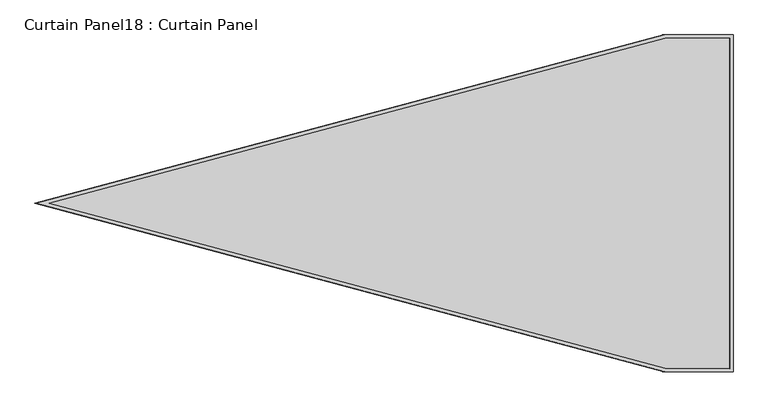
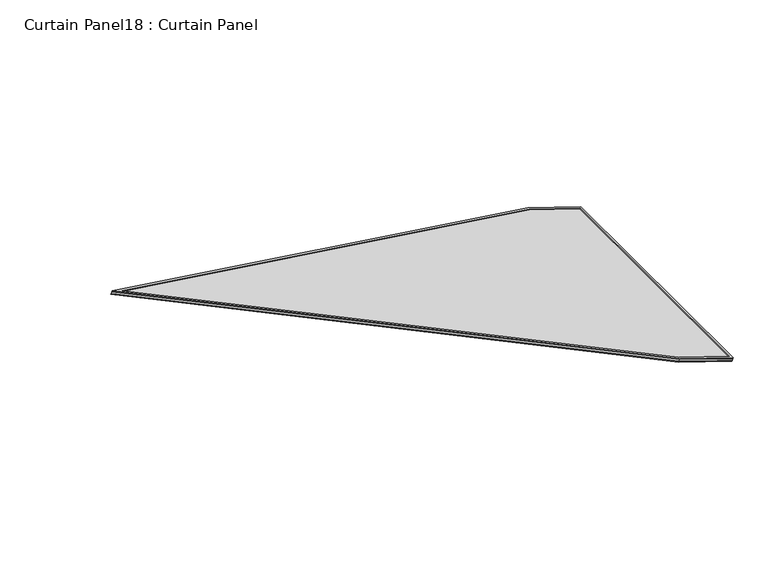
"""IFC4 building model written with IfcOpenShell, lengths in millimetres: plate geometry, Curtain Panel18 : Curtain Panel."""

from ifc_helpers import new_model, si_unit, frame, origin, place, context, project, spatial, polyline, outline, extrude, source, transform, mapped, element, save


def curtain_panel18_curtain_panel_aedf04dc(model_context):
    return source(origin(), model_context, "Body", "SweptSolid", [
        extrude(outline(polyline([(847.4229538, -3695.119685), (0.0, -361.5156415), (0.0, 0.0), (1694.8442516, 0.0), (1694.8442516, -361.5221565), (847.4229538, -3695.119685)]), holes=[polyline([(1684.5314537, -10.3127979), (10.3127978, -10.3127979), (10.3127978, -360.225371), (847.4229538, -3653.2607888), (1684.5314537, -360.2318861), (1684.5314537, -10.3127979)])]), frame((15840.7629537, 2183.818573, 1913.5150822), z_axis=(0.31614582397380603, 0.0, 0.9487106081329139), x_axis=(0.0, -1.0, 0.0)), (0.0, 0.0, 1.0), 4.8889473),
        extrude(outline(polyline([(847.4229538, -3695.1196851), (0.0, -361.5156415), (0.0, 0.0), (1694.8442516, 0.0), (1694.8442516, -361.5221566), (847.4229538, -3695.1196851)]), holes=[polyline([(1678.1814537, -16.6627979), (16.6627978, -16.6627979), (16.6627978, -359.4309002), (847.4229538, -3627.4866008), (1678.1814537, -359.4374152), (1678.1814537, -16.6627979)])]), frame((15846.3508731, 2183.818573, 1930.283668), z_axis=(0.31614582397380603, 0.0, 0.9487106081329139), x_axis=(0.0, -1.0, 0.0)), (0.0, 0.0, 1.0), 4.8038673),
        extrude(outline(polyline([(12.7, 0.0), (1707.5442516, 0.0), (1707.5442516, -361.5221566), (860.1229538, -3695.1196851), (12.7, -361.5156416), (12.7, 0.0)])), frame((15842.308574, 2196.518573, 1918.1532783), z_axis=(0.3161458239738058, 0.0, 0.948710608132914), x_axis=(0.0, -1.0, 0.0)), (0.0, 0.0, 1.0), 12.7861854),
    ])


if __name__ == "__main__":
    model = new_model("IFC4")
    model_context = context("Model", 3, world=origin())
    ifc_project = project(units=[si_unit("LENGTHUNIT", "METRE", prefix="MILLI")], contexts=[model_context])
    site = spatial("IfcSite", under=ifc_project)
    building = spatial("IfcBuilding", under=site)
    placement = place(None, origin())
    curtain_panel18_curtain_panel_shape = curtain_panel18_curtain_panel_aedf04dc(model_context)
    element("IfcPlate", 1, ObjectType="Curtain Panel18 : Curtain Panel", at=placement, inside=building, context=model_context, shape_type="MappedRepresentation", body=[
        mapped(curtain_panel18_curtain_panel_shape, transform((0.0, 0.0, 0.0), x_axis=(1.0, 0.0, 0.0), y_axis=(0.0, 1.0, 0.0), z_axis=(0.0, 0.0, 1.0))),
    ])
    save(model, "model.ifc")
